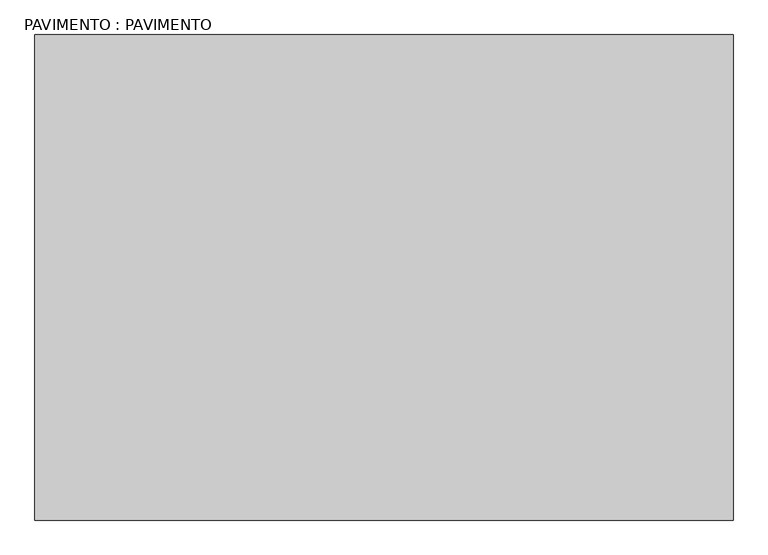
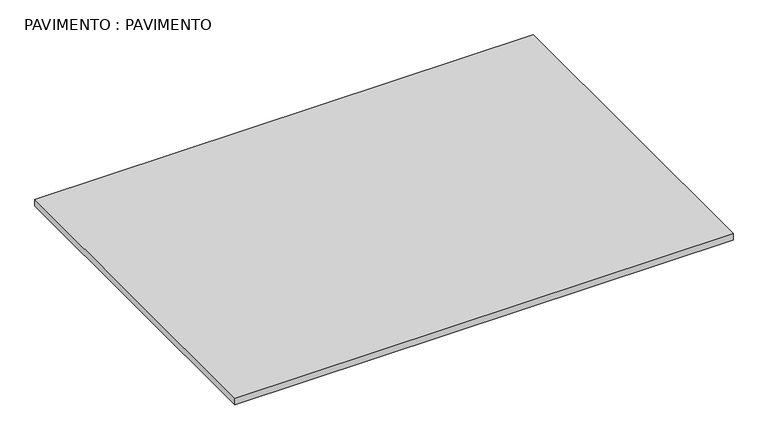
"""IFC4 building model written with IfcOpenShell, lengths in millimetres: proxy geometry, PAVIMENTO : PAVIMENTO."""

from ifc_helpers import new_model, si_unit, origin, origin_with_axes, place, context, project, spatial, polyline, outline, extrude, source, transform, mapped, element, save


def pavimento_pavimento_d2d6862f(model_context):
    return source(origin(), model_context, "Body", "SweptSolid", [
        extrude(outline(polyline([(9070.9573066, 5600.0), (9070.9573066, -6760.9619364), (-8700.0, -6760.9619364), (-8700.0, 5600.0), (9070.9573066, 5600.0)])), origin_with_axes(), (0.0, 0.0, 1.0), 250.0),
    ])


if __name__ == "__main__":
    model = new_model("IFC4")
    model_context = context("Model", 3, world=origin())
    ifc_project = project(units=[si_unit("LENGTHUNIT", "METRE", prefix="MILLI")], contexts=[model_context])
    site = spatial("IfcSite", under=ifc_project)
    building = spatial("IfcBuilding", under=site)
    placement = place(None, origin())
    pavimento_pavimento_shape = pavimento_pavimento_d2d6862f(model_context)
    element("IfcBuildingElementProxy", 1, Name="PAVIMENTO : PAVIMENTO", ObjectType="PAVIMENTO : PAVIMENTO", at=placement, inside=building, context=model_context, shape_type="MappedRepresentation", body=[
        mapped(pavimento_pavimento_shape, transform((0.0, 0.0, 0.0), x_axis=(1.0, 0.0, 0.0), y_axis=(0.0, 1.0, 0.0), z_axis=(0.0, 0.0, 1.0))),
    ])
    save(model, "model.ifc")
